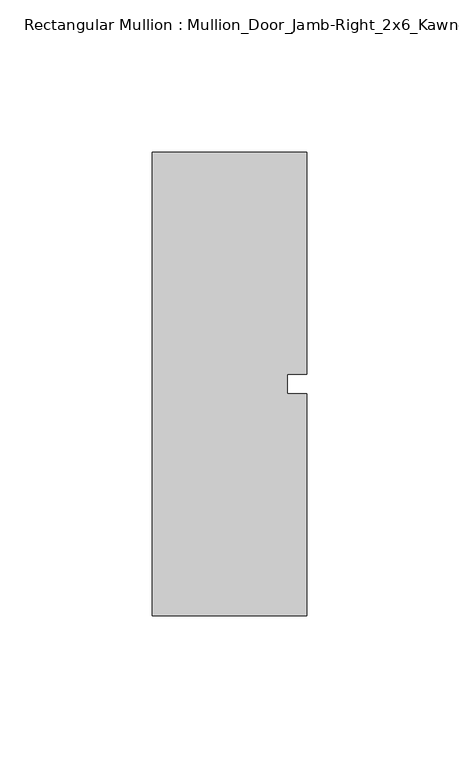
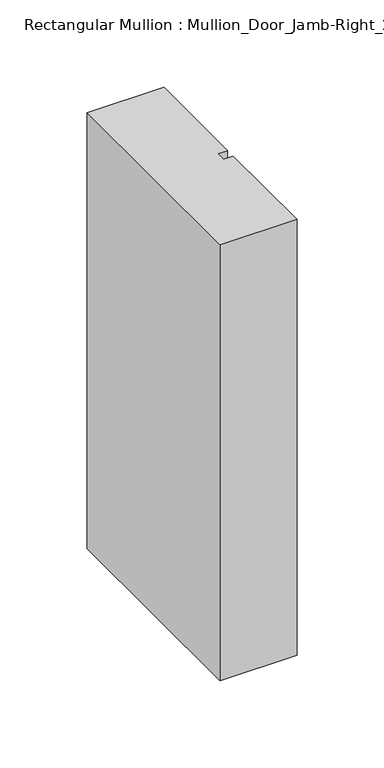
"""IFC4 building model written with IfcOpenShell, lengths in millimetres: member geometry, Rectangular Mullion : Mullion_Door_Jamb-Right_2x6_Kawneer."""

from ifc_helpers import new_model, si_unit, frame, origin, place, context, project, spatial, polyline, outline, extrude, source, transform, mapped, element, save


def rectangular_mullion_mullion_door_jamb_right_2x6_kawneer_a966b1bf(model_context):
    return source(origin(), model_context, "Body", "SweptSolid", [
        extrude(outline(polyline([(25.4, 76.2), (25.4, 3.175), (19.05, 3.175), (19.05, -3.175), (25.4, -3.175), (25.4, -76.2), (-25.4, -76.2), (-25.4, 76.2), (25.4, 76.2)])), frame((0.0, 0.0, -304.8), z_axis=(0.0, 0.0, 1.0), x_axis=(1.0, 0.0, 0.0)), (0.0, 0.0, 1.0), 304.8),
    ])


if __name__ == "__main__":
    model = new_model("IFC4")
    model_context = context("Model", 3, world=origin())
    ifc_project = project(units=[si_unit("LENGTHUNIT", "METRE", prefix="MILLI")], contexts=[model_context])
    site = spatial("IfcSite", under=ifc_project)
    building = spatial("IfcBuilding", under=site)
    placement = place(None, origin())
    rectangular_mullion_mullion_door_jamb_right_2x6_kawneer_shape = rectangular_mullion_mullion_door_jamb_right_2x6_kawneer_a966b1bf(model_context)
    element("IfcMember", 1, ObjectType="Rectangular Mullion : Mullion_Door_Jamb-Right_2x6_Kawneer", at=placement, inside=building, context=model_context, shape_type="MappedRepresentation", body=[
        mapped(rectangular_mullion_mullion_door_jamb_right_2x6_kawneer_shape, transform((0.0, 0.0, 0.0), x_axis=(1.0, 0.0, 0.0), y_axis=(0.0, 1.0, 0.0), z_axis=(0.0, 0.0, 1.0))),
    ])
    save(model, "model.ifc")
